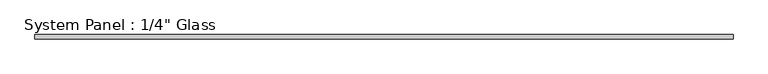
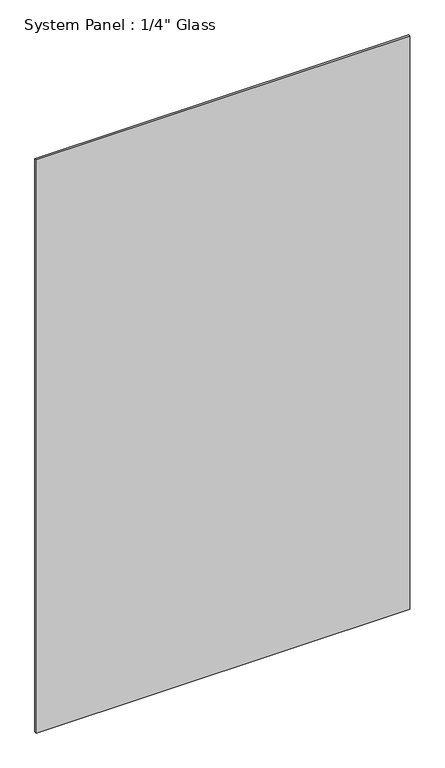
"""IFC4 building model written with IfcOpenShell, lengths in millimetres: plate geometry."""

import ifcopenshell
import ifcopenshell.guid

model = None  # the IFC model being written
_history = None  # IfcOwnerHistory: only IFC2X3 demands one
_inside = {}  # id of a spatial element -> (the spatial element, [elements in it])
_under = {}  # id of a project, library or spatial element -> (it, [spatial elements below it])
_declared = {}  # id of a project -> (the project, [libraries it declares])
_typed = {}  # id of a type object -> (the type object, [elements of that type])
_made_of = {}  # id of a material, layer set ... -> (it, [elements and type objects made of it])


def new_model(schema):
    """Start an empty IFC model of exactly this schema.

    Asked for "IFC4X3", IfcOpenShell would pick the latest addendum, in which some entities
    have other attributes; the version numbers below select the first issue.
    IFC2X3 requires an IfcOwnerHistory on every rooted entity: one is made here for all.
    """
    global model, _history
    if schema == "IFC4X3":
        model = ifcopenshell.file(schema_version=(4, 3, 0, 0))
    else:
        model = ifcopenshell.file(schema=schema)
    _inside.clear()
    _under.clear()
    _declared.clear()
    _typed.clear()
    _made_of.clear()
    _history = None
    if model.schema == "IFC2X3":
        org = make("IfcOrganization", Name="unknown")
        user = make(
            "IfcPersonAndOrganization",
            ThePerson=make("IfcPerson", FamilyName="unknown"),
            TheOrganization=org,
        )
        app = make(
            "IfcApplication",
            ApplicationDeveloper=org,
            Version="unknown",
            ApplicationFullName="unknown",
            ApplicationIdentifier="unknown",
        )
        _history = make(
            "IfcOwnerHistory",
            OwningUser=user,
            OwningApplication=app,
            ChangeAction="ADDED",
            CreationDate=0,
        )
    return model


def make(cls, **values):
    """One entity of the class cls with the attributes given. An attribute that is None is left unset."""
    return model.create_entity(
        cls, **{name: value for name, value in values.items() if value is not None}
    )


def rooted(cls, **values):
    """An entity with a GlobalId (a new one), such as an element, a storey or a relation."""
    return make(cls, GlobalId=ifcopenshell.guid.new(), OwnerHistory=_history, **values)


def si_unit(unit_type, name, prefix=None):
    """IfcSIUnit, for example si_unit("LENGTHUNIT", "METRE", prefix="MILLI")."""
    return make("IfcSIUnit", UnitType=unit_type, Prefix=prefix, Name=name)


def assignment(units):
    """IfcUnitAssignment: the units of a project."""
    return None if units is None else make("IfcUnitAssignment", Units=units)


def point(xyz):
    """IfcCartesianPoint."""
    return None if xyz is None else make("IfcCartesianPoint", Coordinates=xyz)


def direction(xyz):
    """IfcDirection."""
    return None if xyz is None else make("IfcDirection", DirectionRatios=xyz)


def frame(location, z_axis=None, x_axis=None):
    """IfcAxis2Placement3D, a coordinate frame: its origin and axes. An axis left out is left unset."""
    return make(
        "IfcAxis2Placement3D",
        Location=point(location),
        Axis=direction(z_axis),
        RefDirection=direction(x_axis),
    )


def origin():
    """The frame at (0, 0, 0) with its axes left unset."""
    return frame((0.0, 0.0, 0.0))


def origin_with_axes():
    """The frame at (0, 0, 0) with the z axis (0, 0, 1) and the x axis (1, 0, 0) written out."""
    return frame((0.0, 0.0, 0.0), z_axis=(0.0, 0.0, 1.0), x_axis=(1.0, 0.0, 0.0))


def place(relative_to, where):
    """IfcLocalPlacement: puts the frame where relative to a parent placement (None: the world)."""
    return make(
        "IfcLocalPlacement", PlacementRelTo=relative_to, RelativePlacement=where
    )


def context(
    kind, dimensions, precision=None, world=None, true_north=None, identifier=None
):
    """IfcGeometricRepresentationContext, for example the 3D "Model" context."""
    return make(
        "IfcGeometricRepresentationContext",
        ContextIdentifier=identifier,
        ContextType=kind,
        CoordinateSpaceDimension=dimensions,
        Precision=precision,
        WorldCoordinateSystem=world,
        TrueNorth=true_north,
    )


def project(units=None, contexts=None):
    """IfcProject with its units and contexts."""
    return rooted(
        "IfcProject",
        Name="project",
        RepresentationContexts=contexts,
        UnitsInContext=assignment(units),
    )


def spatial(cls, under=None, at=None, **own):
    """A site, building, storey or space (cls), placed at a placement, below another one or the project."""
    s = rooted(cls, ObjectPlacement=at, **own)
    if under is not None:
        _under.setdefault(under.id(), (under, []))[1].append(s)
    return s


def polyline(points):
    """IfcPolyline through the points."""
    return make("IfcPolyline", Points=[point(p) for p in points])


def outline(outer, holes=None, kind="AREA"):
    """IfcArbitraryClosedProfileDef: a profile drawn as a closed curve; with holes, ...WithVoids."""
    if holes is None:
        return make("IfcArbitraryClosedProfileDef", ProfileType=kind, OuterCurve=outer)
    return make(
        "IfcArbitraryProfileDefWithVoids",
        ProfileType=kind,
        OuterCurve=outer,
        InnerCurves=holes,
    )


def extrude(swept, where, along, depth):
    """IfcExtrudedAreaSolid: the profile swept, set in the frame where, extruded along a direction by depth."""
    return make(
        "IfcExtrudedAreaSolid",
        SweptArea=swept,
        Position=where,
        ExtrudedDirection=direction(along),
        Depth=depth,
    )


def shape(context_of_items, identifier, shape_type, items):
    """IfcShapeRepresentation: the items that make up one representation, for example the "Body"."""
    return make(
        "IfcShapeRepresentation",
        ContextOfItems=context_of_items,
        RepresentationIdentifier=identifier,
        RepresentationType=shape_type,
        Items=items,
    )


def source(mapping_origin, context_of_items, identifier, shape_type, items):
    """IfcRepresentationMap: a shape defined once, which mapped items show again and again."""
    return make(
        "IfcRepresentationMap",
        MappingOrigin=mapping_origin,
        MappedRepresentation=shape(context_of_items, identifier, shape_type, items),
    )


def transform(
    local_origin,
    x_axis=None,
    y_axis=None,
    z_axis=None,
    scale=None,
    scale2=None,
    scale3=None,
    uniform=True,
):
    """IfcCartesianTransformationOperator3D, or its non-uniform kind. x_axis, y_axis, z_axis: its Axis1, 2, 3."""
    if uniform:
        return make(
            "IfcCartesianTransformationOperator3D",
            Axis1=direction(x_axis),
            Axis2=direction(y_axis),
            LocalOrigin=point(local_origin),
            Scale=scale,
            Axis3=direction(z_axis),
        )
    return make(
        "IfcCartesianTransformationOperator3DnonUniform",
        Axis1=direction(x_axis),
        Axis2=direction(y_axis),
        LocalOrigin=point(local_origin),
        Scale=scale,
        Axis3=direction(z_axis),
        Scale2=scale2,
        Scale3=scale3,
    )


def mapped(mapping_source, mapping_target):
    """IfcMappedItem: shows the shape of a source again, moved by a transform."""
    return make(
        "IfcMappedItem", MappingSource=mapping_source, MappingTarget=mapping_target
    )


def made_of(thing, what):
    """Note that an element or type object is made of a material, layer set ...; save() writes the relation."""
    if what is not None:
        _made_of.setdefault(what.id(), (what, []))[1].append(thing)
    return thing


def element(
    cls,
    number,
    at=None,
    inside=None,
    cuts=None,
    type_object=None,
    material=None,
    context=None,
    identifier="Body",
    shape_type=None,
    held_by="IfcProductDefinitionShape",
    body=None,
    shapes=None,
    **own,
):
    """One element of the class cls, such as IfcWall. Its Tag is "e" and its number.

    at: its placement. inside: the storey or other place that contains it. cuts: it is an
    opening in that element (IfcRelVoidsElement). A single representation is given by context,
    identifier, shape_type and body (its items); several are given by shapes. held_by: the class
    of the entity that holds the representations. save() writes the other relations.
    """
    e = rooted(cls, Tag="e%d" % number, ObjectPlacement=at, **own)
    if body is not None:
        shapes = [shape(context, identifier, shape_type, body)]
    if shapes is not None:
        e.Representation = make(held_by, Representations=shapes)
    if inside is not None:
        _inside.setdefault(inside.id(), (inside, []))[1].append(e)
    if cuts is not None:
        rooted(
            "IfcRelVoidsElement", RelatingBuildingElement=cuts, RelatedOpeningElement=e
        )
    if type_object is not None:
        _typed.setdefault(type_object.id(), (type_object, []))[1].append(e)
    return made_of(e, material)


def aggregate(whole, parts):
    """IfcRelAggregates: a whole, such as a stair, and the parts it consists of."""
    return rooted("IfcRelAggregates", RelatingObject=whole, RelatedObjects=parts)


def save(model, path):
    """Write the relations noted so far, then the file.

    IfcRelAggregates (storeys below a building ...), IfcRelContainedInSpatialStructure (elements
    in a storey), IfcRelDefinesByType, IfcRelAssociatesMaterial and IfcRelDeclares: one each for
    every whole, place, type object, material and project.
    """
    for whole, parts in _under.values():
        aggregate(whole, parts)
    for where, things in _inside.values():
        rooted(
            "IfcRelContainedInSpatialStructure",
            RelatedElements=things,
            RelatingStructure=where,
        )
    for kind, things in _typed.values():
        rooted("IfcRelDefinesByType", RelatedObjects=things, RelatingType=kind)
    for what, things in _made_of.values():
        rooted("IfcRelAssociatesMaterial", RelatedObjects=things, RelatingMaterial=what)
    for by, libraries in _declared.values():
        rooted("IfcRelDeclares", RelatingContext=by, RelatedDefinitions=libraries)
    model.write(path)


def plate_56dd303a(model_context):
    return source(origin(), model_context, "Body", "SweptSolid", [
        extrude(outline(polyline([(536.575, -3.175), (-536.575, -3.175), (-536.575, 3.175), (536.575, 3.175), (536.575, -3.175)])), origin_with_axes(), (0.0, 0.0, 1.0), 1739.9),
    ])


if __name__ == "__main__":
    model = new_model("IFC4")
    model_context = context("Model", 3, world=origin())
    ifc_project = project(units=[si_unit("LENGTHUNIT", "METRE", prefix="MILLI")], contexts=[model_context])
    site = spatial("IfcSite", under=ifc_project)
    building = spatial("IfcBuilding", under=site)
    placement = place(None, origin())
    plate_shape = plate_56dd303a(model_context)
    element("IfcPlate", 1, ObjectType="System Panel : 1/4\" Glass", at=placement, inside=building, context=model_context, shape_type="MappedRepresentation", body=[
        mapped(plate_shape, transform((0.0, 0.0, 0.0), x_axis=(1.0, 0.0, 0.0), y_axis=(0.0, 1.0, 0.0), z_axis=(0.0, 0.0, 1.0))),
    ])
    save(model, "model.ifc")
